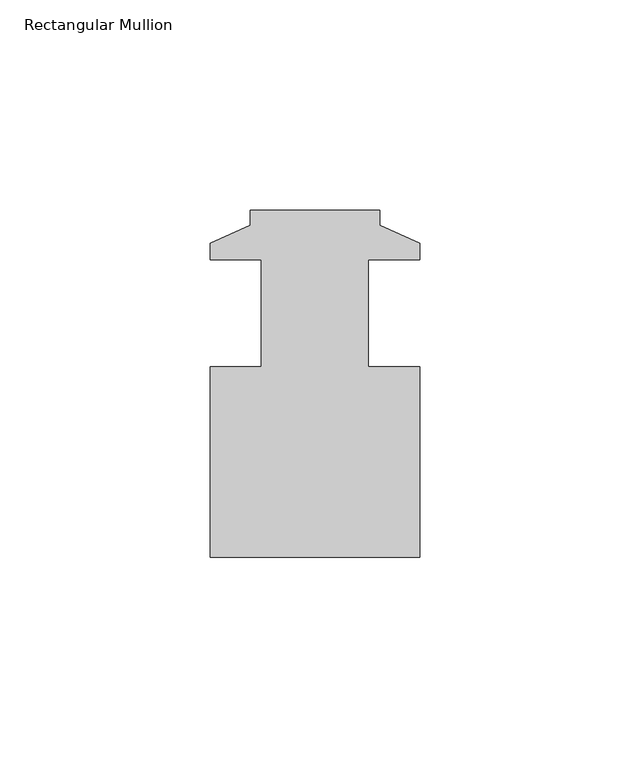
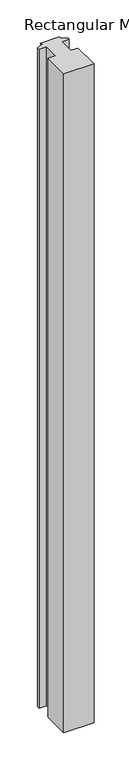
"""IFC4 building model written with IfcOpenShell, lengths in millimetres: member geometry, Rectangular Mullion."""

from ifc_helpers import new_model, si_unit, frame, origin, place, context, project, spatial, polyline, outline, extrude, source, transform, mapped, element, save


def rectangular_mullion_8c9443e0(model_context):
    return source(origin(), model_context, "Body", "SweptSolid", [
        extrude(outline(polyline([(15.3924, 36.1751294), (15.3924, 32.5683294), (24.9174, 28.2503294), (24.9174, 24.3387294), (12.7, 24.3387294), (12.7, -1.0612706), (24.9174, -1.0612706), (24.9174, -46.3748706), (-24.9174, -46.3748706), (-24.9174, -1.0612706), (-12.7, -1.0612706), (-12.7, 24.3387294), (-24.9174, 24.3387294), (-24.9174, 28.2503294), (-15.3924, 32.5683294), (-15.3924, 36.1751294), (15.3924, 36.1751294)])), frame((0.0, 0.0, -1147.9009537), z_axis=(0.0, 0.0, 1.0), x_axis=(1.0, 0.0, 0.0)), (0.0, 0.0, 1.0), 1147.9009537),
    ])


if __name__ == "__main__":
    model = new_model("IFC4")
    model_context = context("Model", 3, world=origin())
    ifc_project = project(units=[si_unit("LENGTHUNIT", "METRE", prefix="MILLI")], contexts=[model_context])
    site = spatial("IfcSite", under=ifc_project)
    building = spatial("IfcBuilding", under=site)
    placement = place(None, origin())
    rectangular_mullion_shape = rectangular_mullion_8c9443e0(model_context)
    element("IfcMember", 1, ObjectType="Rectangular Mullion", at=placement, inside=building, context=model_context, shape_type="MappedRepresentation", body=[
        mapped(rectangular_mullion_shape, transform((0.0, 0.0, 0.0), x_axis=(1.0, 0.0, 0.0), y_axis=(0.0, 1.0, 0.0), z_axis=(0.0, 0.0, 1.0))),
    ])
    save(model, "model.ifc")
